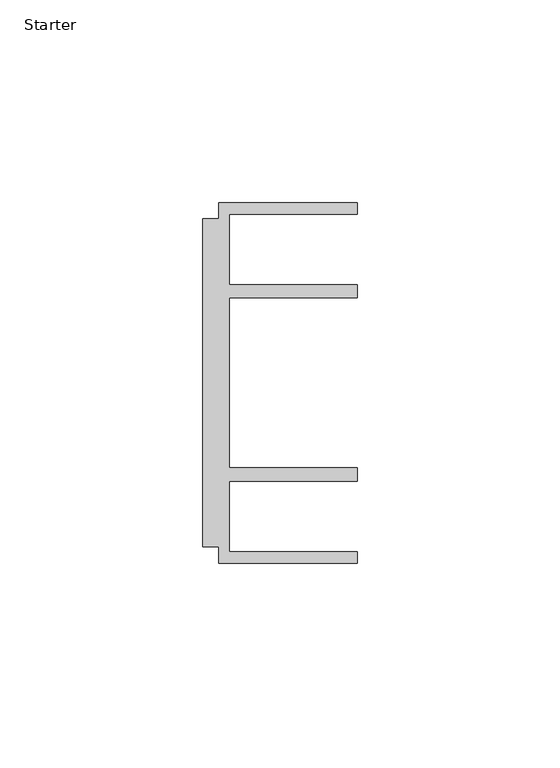
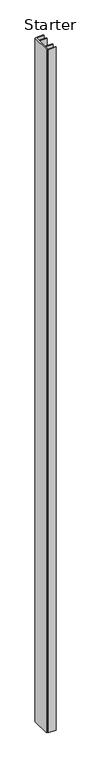
"""IFC4 building model written with IfcOpenShell, lengths in millimetres: furniture geometry, Starter."""

from ifc_helpers import new_model, si_unit, origin, origin_with_axes, place, context, project, spatial, polyline, outline, extrude, source, transform, mapped, element, save


def starter_32c253ce(model_context):
    return source(origin(), model_context, "Body", "SweptSolid", [
        extrude(outline(polyline([(33.9771533, 59.951805), (68.0771531, 59.951805), (68.0771531, 57.1518064), (36.5771534, 57.1518064), (36.5771534, 39.7518058), (68.0771531, 39.7518058), (68.0771531, 36.4518057), (36.5771534, 36.4518057), (36.5771534, -5.4481956), (68.0771531, -5.4481956), (68.0771531, -8.7481957), (36.5771534, -8.7481957), (36.5771534, -26.1481963), (68.0771531, -26.1481963), (68.0771531, -28.948195), (33.9771533, -28.948195), (33.9771533, -24.9481962), (29.9771531, -24.9481962), (29.9771531, 55.9518063), (33.9771533, 55.9518063), (33.9771533, 59.951805)])), origin_with_axes(), (0.0, 0.0, 1.0), 3048.0),
    ])


if __name__ == "__main__":
    model = new_model("IFC4")
    model_context = context("Model", 3, world=origin())
    ifc_project = project(units=[si_unit("LENGTHUNIT", "METRE", prefix="MILLI")], contexts=[model_context])
    site = spatial("IfcSite", under=ifc_project)
    building = spatial("IfcBuilding", under=site)
    placement = place(None, origin())
    starter_shape = starter_32c253ce(model_context)
    element("IfcFurniture", 1, ObjectType="Starter", at=placement, inside=building, context=model_context, shape_type="MappedRepresentation", body=[
        mapped(starter_shape, transform((0.0, 0.0, 0.0), x_axis=(1.0, 0.0, 0.0), y_axis=(0.0, 1.0, 0.0), z_axis=(0.0, 0.0, 1.0))),
    ])
    save(model, "model.ifc")
